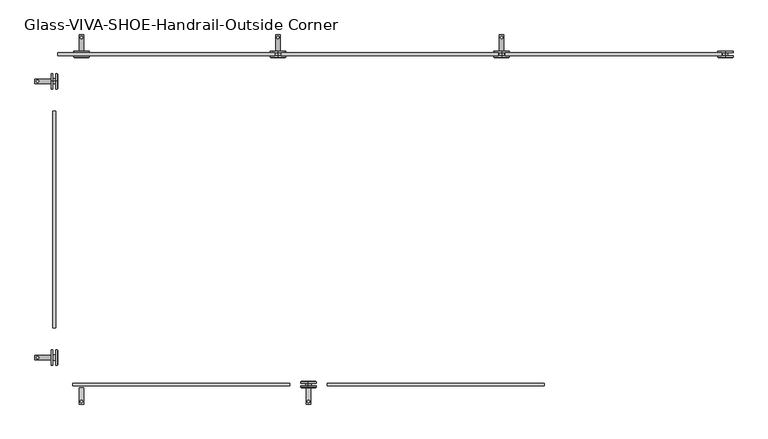
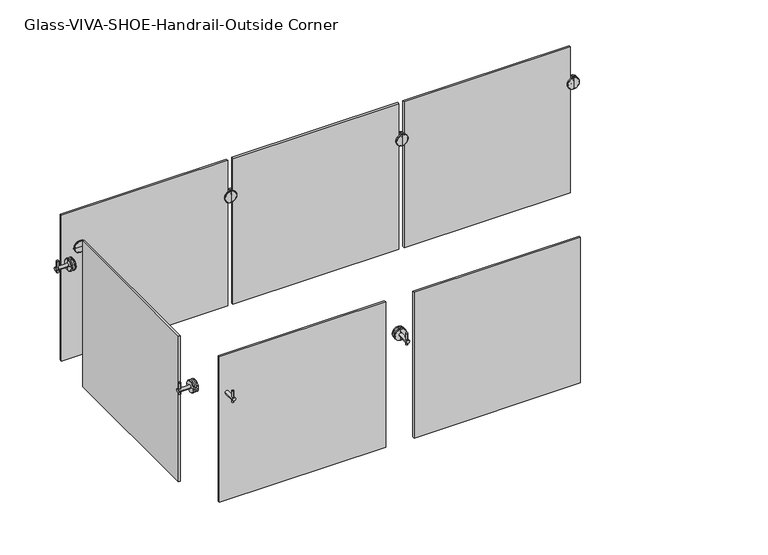
"""IFC4 building model written with IfcOpenShell, lengths in millimetres: railing geometry, Glass-VIVA-SHOE-Handrail-Outside Corner."""

from ifc_helpers import new_model, si_unit, point, frame, frame_2d, origin, place, context, project, spatial, polyline, circle_curve, trimmed, segment, composite_curve, outline, extrude, source, transform, mapped, element, save
from ifc_brep_helpers import plane_surface, cylinder_surface, revolved_surface, advanced_brep


def glass_viva_shoe_handrail_outside_corner_30a0c3da(model_context):
    return source(origin(), model_context, "Body", "SolidModel", [
        advanced_brep(
        [(-12006.0014824, 10198.3499243, 3802.0), (-12006.0014824, 10198.3499243, 3838.115625), (-12006.0014824, 10198.3499243, 3765.884375), (-12006.0014824, 10230.2983618, 3765.884375), (-12006.0014824, 10230.2983618, 3838.115625), (-12006.0014824, 10230.2983618, 3802.0), (-12006.0014824, 10228.3139868, 3763.9), (-12006.0014824, 10228.3139868, 3840.1), (-12006.0014824, 10220.674143, 3763.9), (-12006.0014824, 10220.674143, 3840.1), (-12006.0014824, 10220.674143, 3789.3), (-12006.0014824, 10220.674143, 3814.7), (-12006.0014824, 10207.974143, 3789.3), (-12006.0014824, 10207.974143, 3814.7), (-12006.0014824, 10207.974143, 3763.9), (-12006.0014824, 10207.974143, 3840.1), (-12006.0014824, 10200.3342993, 3763.9), (-12006.0014824, 10200.3342993, 3840.1)],
        [
            (0, 1),
            (1, 2, circle_curve(frame((-12006.0014824, 10198.3499243, 3802.0), z_axis=(0.0, -1.0, 0.0), x_axis=(0.0, 0.0, 1.0)), 36.115625)),
            (2, 0),
            (2, 1, circle_curve(frame((-12006.0014824, 10198.3499243, 3802.0), z_axis=(0.0, -1.0, 0.0), x_axis=(0.0, 0.0, 1.0)), 36.115625)),
            (3, 4, circle_curve(frame((-12006.0014824, 10230.2983618, 3802.0), z_axis=(0.0, 1.0, 0.0), x_axis=(0.0, 0.0, 1.0)), 36.115625)),
            (4, 5),
            (5, 3),
            (4, 3, circle_curve(frame((-12006.0014824, 10230.2983618, 3802.0), z_axis=(0.0, 1.0, 0.0), x_axis=(0.0, 0.0, 1.0)), 36.115625)),
            (6, 7, circle_curve(frame((-12006.0014824, 10228.3139868, 3802.0), z_axis=(0.0, 1.0, 0.0), x_axis=(0.0, 0.0, 1.0)), 38.1)),
            (7, 4),
            (3, 6),
            (7, 6, circle_curve(frame((-12006.0014824, 10228.3139868, 3802.0), z_axis=(0.0, 1.0, 0.0), x_axis=(0.0, 0.0, 1.0)), 38.1)),
            (8, 9, circle_curve(frame((-12006.0014824, 10220.674143, 3802.0), z_axis=(0.0, 1.0, 0.0), x_axis=(0.0, 0.0, 1.0)), 38.1)),
            (9, 7),
            (6, 8),
            (9, 8, circle_curve(frame((-12006.0014824, 10220.674143, 3802.0), z_axis=(0.0, 1.0, 0.0), x_axis=(0.0, 0.0, 1.0)), 38.1)),
            (10, 11, circle_curve(frame((-12006.0014824, 10220.674143, 3802.0), z_axis=(0.0, 1.0, 0.0), x_axis=(0.0, 0.0, 1.0)), 12.7)),
            (11, 9),
            (8, 10),
            (11, 10, circle_curve(frame((-12006.0014824, 10220.674143, 3802.0), z_axis=(0.0, 1.0, 0.0), x_axis=(0.0, 0.0, 1.0)), 12.7)),
            (12, 13, circle_curve(frame((-12006.0014824, 10207.974143, 3802.0), z_axis=(0.0, 1.0, 0.0), x_axis=(0.0, 0.0, 1.0)), 12.7)),
            (13, 11),
            (10, 12),
            (13, 12, circle_curve(frame((-12006.0014824, 10207.974143, 3802.0), z_axis=(0.0, 1.0, 0.0), x_axis=(0.0, 0.0, 1.0)), 12.7)),
            (14, 15, circle_curve(frame((-12006.0014824, 10207.974143, 3802.0), z_axis=(0.0, 1.0, 0.0), x_axis=(0.0, 0.0, 1.0)), 38.1)),
            (15, 13),
            (12, 14),
            (15, 14, circle_curve(frame((-12006.0014824, 10207.974143, 3802.0), z_axis=(0.0, 1.0, 0.0), x_axis=(0.0, 0.0, 1.0)), 38.1)),
            (16, 17, circle_curve(frame((-12006.0014824, 10200.3342993, 3802.0), z_axis=(0.0, 1.0, 0.0), x_axis=(0.0, 0.0, 1.0)), 38.1)),
            (17, 15),
            (14, 16),
            (17, 16, circle_curve(frame((-12006.0014824, 10200.3342993, 3802.0), z_axis=(0.0, 1.0, 0.0), x_axis=(0.0, 0.0, 1.0)), 38.1)),
            (1, 17),
            (16, 2),
        ],
        [
            plane_surface(frame((-12006.0014824, 10198.3499243, 3802.0), z_axis=(0.0, -1.0, 0.0), x_axis=(0.0, 0.0, 1.0))),
            plane_surface(frame((-12006.0014824, 10230.2983618, 3802.0), z_axis=(0.0, 1.0, 0.0), x_axis=(0.0, 0.0, 1.0))),
            revolved_surface(polyline([(-12006.0014824, 10230.2983618, 3838.115625), (-12006.0014824, 10228.3139868, 3840.1)]), (-12006.0014824, 10162.2342993, 3802.0), (0.0, -1.0, 0.0)),
            cylinder_surface(frame((-12006.0014824, 10162.2342993, 3802.0), z_axis=(0.0, -1.0, 0.0), x_axis=(0.0, 0.0, 1.0)), 38.1),
            plane_surface(frame((-12006.0014824, 10220.674143, 3802.0), z_axis=(0.0, -1.0, 0.0), x_axis=(0.0, 0.0, 1.0))),
            cylinder_surface(frame((-12006.0014824, 10162.2342993, 3802.0), z_axis=(0.0, -1.0, 0.0), x_axis=(0.0, 0.0, 1.0)), 12.7),
            plane_surface(frame((-12006.0014824, 10207.974143, 3802.0), z_axis=(0.0, 1.0, 0.0), x_axis=(0.0, 0.0, 1.0))),
            revolved_surface(polyline([(-12006.0014824, 10200.3342993, 3840.1), (-12006.0014824, 10198.3499243, 3838.115625)]), (-12006.0014824, 10162.2342993, 3802.0), (0.0, -1.0, 0.0)),
        ],
        [
            (0, [[1, 2, 3]]),
            (0, [[-3, 4, -1]]),
            (1, [[5, 6, 7]]),
            (1, [[8, -7, -6]]),
            (2, [[9, 10, -5, 11]]),
            (2, [[12, -11, -8, -10]]),
            (3, [[13, 14, -9, 15]]),
            (3, [[16, -15, -12, -14]]),
            (4, [[17, 18, -13, 19]]),
            (4, [[20, -19, -16, -18]]),
            (5, [[21, 22, -17, 23]]),
            (5, [[24, -23, -20, -22]]),
            (6, [[25, 26, -21, 27]]),
            (6, [[28, -27, -24, -26]]),
            (3, [[29, 30, -25, 31]]),
            (3, [[32, -31, -28, -30]]),
            (7, [[-2, 33, -29, 34]]),
            (7, [[-4, -34, -32, -33]]),
        ],
    ),
        extrude(outline(polyline([(-13089.4014824, 10220.674143), (-12022.6014824, 10220.674143), (-12022.6014824, 10207.974143), (-13089.4014824, 10207.974143), (-13089.4014824, 10220.674143)])), frame((0.0, 0.0, 3062.225), z_axis=(0.0, 0.0, 1.0), x_axis=(1.0, 0.0, 0.0)), (0.0, 0.0, 1.0), 989.0125),
        extrude(outline(composite_curve([segment(trimmed(circle_curve(frame_2d((-13106.0014824, 10296.874143)), 5.953125), [point((-13106.0014824, 10290.921018))], [point((-13106.0014824, 10302.827268))], False, "CARTESIAN"), True, "CONTINUOUS"), segment(trimmed(circle_curve(frame_2d((-13106.0014824, 10296.874143)), 5.953125), [point((-13106.0014824, 10302.827268))], [point((-13106.0014824, 10290.921018))], False, "CARTESIAN"), True, "CONTINUOUS")], self_intersect=False)), frame((0.0, 0.0, 3776.6), z_axis=(0.0, 0.0, 1.0), x_axis=(1.0, 0.0, 0.0)), (0.0, 0.0, 1.0), 76.2),
        extrude(outline(composite_curve([segment(trimmed(circle_curve(frame_2d((3802.0, -13106.0014824)), 11.0132813), [point((3802.0, -13094.9882011))], [point((3802.0, -13117.0147636))], False, "CARTESIAN"), True, "CONTINUOUS"), segment(trimmed(circle_curve(frame_2d((3802.0, -13106.0014824)), 11.0132813), [point((3802.0, -13117.0147636))], [point((3802.0, -13094.9882011))], False, "CARTESIAN"), True, "CONTINUOUS")], self_intersect=False)), frame((0.0, 10230.2983618, 0.0), z_axis=(0.0, 1.0, 0.0), x_axis=(0.0, 0.0, 1.0)), (0.0, 0.0, 1.0), 79.2757812),
        advanced_brep(
        [(-13106.0014824, 10198.3499243, 3802.0), (-13106.0014824, 10198.3499243, 3838.115625), (-13106.0014824, 10198.3499243, 3765.884375), (-13106.0014824, 10230.2983618, 3765.884375), (-13106.0014824, 10230.2983618, 3838.115625), (-13106.0014824, 10230.2983618, 3802.0), (-13106.0014824, 10228.3139868, 3763.9), (-13106.0014824, 10228.3139868, 3840.1), (-13106.0014824, 10220.674143, 3763.9), (-13106.0014824, 10220.674143, 3840.1), (-13106.0014824, 10220.674143, 3789.3), (-13106.0014824, 10220.674143, 3814.7), (-13106.0014824, 10207.974143, 3789.3), (-13106.0014824, 10207.974143, 3814.7), (-13106.0014824, 10207.974143, 3763.9), (-13106.0014824, 10207.974143, 3840.1), (-13106.0014824, 10200.3342993, 3763.9), (-13106.0014824, 10200.3342993, 3840.1)],
        [
            (0, 1),
            (1, 2, circle_curve(frame((-13106.0014824, 10198.3499243, 3802.0), z_axis=(0.0, -1.0, 0.0), x_axis=(0.0, 0.0, 1.0)), 36.115625)),
            (2, 0),
            (2, 1, circle_curve(frame((-13106.0014824, 10198.3499243, 3802.0), z_axis=(0.0, -1.0, 0.0), x_axis=(0.0, 0.0, 1.0)), 36.115625)),
            (3, 4, circle_curve(frame((-13106.0014824, 10230.2983618, 3802.0), z_axis=(0.0, 1.0, 0.0), x_axis=(0.0, 0.0, 1.0)), 36.115625)),
            (4, 5),
            (5, 3),
            (4, 3, circle_curve(frame((-13106.0014824, 10230.2983618, 3802.0), z_axis=(0.0, 1.0, 0.0), x_axis=(0.0, 0.0, 1.0)), 36.115625)),
            (6, 7, circle_curve(frame((-13106.0014824, 10228.3139868, 3802.0), z_axis=(0.0, 1.0, 0.0), x_axis=(0.0, 0.0, 1.0)), 38.1)),
            (7, 4),
            (3, 6),
            (7, 6, circle_curve(frame((-13106.0014824, 10228.3139868, 3802.0), z_axis=(0.0, 1.0, 0.0), x_axis=(0.0, 0.0, 1.0)), 38.1)),
            (8, 9, circle_curve(frame((-13106.0014824, 10220.674143, 3802.0), z_axis=(0.0, 1.0, 0.0), x_axis=(0.0, 0.0, 1.0)), 38.1)),
            (9, 7),
            (6, 8),
            (9, 8, circle_curve(frame((-13106.0014824, 10220.674143, 3802.0), z_axis=(0.0, 1.0, 0.0), x_axis=(0.0, 0.0, 1.0)), 38.1)),
            (10, 11, circle_curve(frame((-13106.0014824, 10220.674143, 3802.0), z_axis=(0.0, 1.0, 0.0), x_axis=(0.0, 0.0, 1.0)), 12.7)),
            (11, 9),
            (8, 10),
            (11, 10, circle_curve(frame((-13106.0014824, 10220.674143, 3802.0), z_axis=(0.0, 1.0, 0.0), x_axis=(0.0, 0.0, 1.0)), 12.7)),
            (12, 13, circle_curve(frame((-13106.0014824, 10207.974143, 3802.0), z_axis=(0.0, 1.0, 0.0), x_axis=(0.0, 0.0, 1.0)), 12.7)),
            (13, 11),
            (10, 12),
            (13, 12, circle_curve(frame((-13106.0014824, 10207.974143, 3802.0), z_axis=(0.0, 1.0, 0.0), x_axis=(0.0, 0.0, 1.0)), 12.7)),
            (14, 15, circle_curve(frame((-13106.0014824, 10207.974143, 3802.0), z_axis=(0.0, 1.0, 0.0), x_axis=(0.0, 0.0, 1.0)), 38.1)),
            (15, 13),
            (12, 14),
            (15, 14, circle_curve(frame((-13106.0014824, 10207.974143, 3802.0), z_axis=(0.0, 1.0, 0.0), x_axis=(0.0, 0.0, 1.0)), 38.1)),
            (16, 17, circle_curve(frame((-13106.0014824, 10200.3342993, 3802.0), z_axis=(0.0, 1.0, 0.0), x_axis=(0.0, 0.0, 1.0)), 38.1)),
            (17, 15),
            (14, 16),
            (17, 16, circle_curve(frame((-13106.0014824, 10200.3342993, 3802.0), z_axis=(0.0, 1.0, 0.0), x_axis=(0.0, 0.0, 1.0)), 38.1)),
            (1, 17),
            (16, 2),
        ],
        [
            plane_surface(frame((-13106.0014824, 10198.3499243, 3802.0), z_axis=(0.0, -1.0, 0.0), x_axis=(0.0, 0.0, 1.0))),
            plane_surface(frame((-13106.0014824, 10230.2983618, 3802.0), z_axis=(0.0, 1.0, 0.0), x_axis=(0.0, 0.0, 1.0))),
            revolved_surface(polyline([(-13106.0014824, 10230.2983618, 3838.115625), (-13106.0014824, 10228.3139868, 3840.1)]), (-13106.0014824, 10162.2342993, 3802.0), (0.0, -1.0, 0.0)),
            cylinder_surface(frame((-13106.0014824, 10162.2342993, 3802.0), z_axis=(0.0, -1.0, 0.0), x_axis=(0.0, 0.0, 1.0)), 38.1),
            plane_surface(frame((-13106.0014824, 10220.674143, 3802.0), z_axis=(0.0, -1.0, 0.0), x_axis=(0.0, 0.0, 1.0))),
            cylinder_surface(frame((-13106.0014824, 10162.2342993, 3802.0), z_axis=(0.0, -1.0, 0.0), x_axis=(0.0, 0.0, 1.0)), 12.7),
            plane_surface(frame((-13106.0014824, 10207.974143, 3802.0), z_axis=(0.0, 1.0, 0.0), x_axis=(0.0, 0.0, 1.0))),
            revolved_surface(polyline([(-13106.0014824, 10200.3342993, 3840.1), (-13106.0014824, 10198.3499243, 3838.115625)]), (-13106.0014824, 10162.2342993, 3802.0), (0.0, -1.0, 0.0)),
        ],
        [
            (0, [[1, 2, 3]]),
            (0, [[-3, 4, -1]]),
            (1, [[5, 6, 7]]),
            (1, [[8, -7, -6]]),
            (2, [[9, 10, -5, 11]]),
            (2, [[12, -11, -8, -10]]),
            (3, [[13, 14, -9, 15]]),
            (3, [[16, -15, -12, -14]]),
            (4, [[17, 18, -13, 19]]),
            (4, [[20, -19, -16, -18]]),
            (5, [[21, 22, -17, 23]]),
            (5, [[24, -23, -20, -22]]),
            (6, [[25, 26, -21, 27]]),
            (6, [[28, -27, -24, -26]]),
            (3, [[29, 30, -25, 31]]),
            (3, [[32, -31, -28, -30]]),
            (7, [[-2, 33, -29, 34]]),
            (7, [[-4, -34, -32, -33]]),
        ],
    ),
        extrude(outline(polyline([(-14189.4014824, 10220.674143), (-13122.6014824, 10220.674143), (-13122.6014824, 10207.974143), (-14189.4014824, 10207.974143), (-14189.4014824, 10220.674143)])), frame((0.0, 0.0, 3062.225), z_axis=(0.0, 0.0, 1.0), x_axis=(1.0, 0.0, 0.0)), (0.0, 0.0, 1.0), 989.0125),
        extrude(outline(composite_curve([segment(trimmed(circle_curve(frame_2d((-14206.0014824, 10296.874143)), 5.953125), [point((-14206.0014824, 10290.921018))], [point((-14206.0014824, 10302.827268))], False, "CARTESIAN"), True, "CONTINUOUS"), segment(trimmed(circle_curve(frame_2d((-14206.0014824, 10296.874143)), 5.953125), [point((-14206.0014824, 10302.827268))], [point((-14206.0014824, 10290.921018))], False, "CARTESIAN"), True, "CONTINUOUS")], self_intersect=False)), frame((0.0, 0.0, 3776.6), z_axis=(0.0, 0.0, 1.0), x_axis=(1.0, 0.0, 0.0)), (0.0, 0.0, 1.0), 76.2),
        extrude(outline(composite_curve([segment(trimmed(circle_curve(frame_2d((3802.0, -14206.0014824)), 11.0132813), [point((3802.0, -14194.9882011))], [point((3802.0, -14217.0147636))], False, "CARTESIAN"), True, "CONTINUOUS"), segment(trimmed(circle_curve(frame_2d((3802.0, -14206.0014824)), 11.0132813), [point((3802.0, -14217.0147636))], [point((3802.0, -14194.9882011))], False, "CARTESIAN"), True, "CONTINUOUS")], self_intersect=False)), frame((0.0, 10230.2983618, 0.0), z_axis=(0.0, 1.0, 0.0), x_axis=(0.0, 0.0, 1.0)), (0.0, 0.0, 1.0), 79.2757812),
        advanced_brep(
        [(-14206.0014824, 10198.3499243, 3802.0), (-14206.0014824, 10198.3499243, 3838.115625), (-14206.0014824, 10198.3499243, 3765.884375), (-14206.0014824, 10230.2983618, 3765.884375), (-14206.0014824, 10230.2983618, 3838.115625), (-14206.0014824, 10230.2983618, 3802.0), (-14206.0014824, 10228.3139868, 3763.9), (-14206.0014824, 10228.3139868, 3840.1), (-14206.0014824, 10220.674143, 3763.9), (-14206.0014824, 10220.674143, 3840.1), (-14206.0014824, 10220.674143, 3789.3), (-14206.0014824, 10220.674143, 3814.7), (-14206.0014824, 10207.974143, 3789.3), (-14206.0014824, 10207.974143, 3814.7), (-14206.0014824, 10207.974143, 3763.9), (-14206.0014824, 10207.974143, 3840.1), (-14206.0014824, 10200.3342993, 3763.9), (-14206.0014824, 10200.3342993, 3840.1)],
        [
            (0, 1),
            (1, 2, circle_curve(frame((-14206.0014824, 10198.3499243, 3802.0), z_axis=(0.0, -1.0, 0.0), x_axis=(0.0, 0.0, 1.0)), 36.115625)),
            (2, 0),
            (2, 1, circle_curve(frame((-14206.0014824, 10198.3499243, 3802.0), z_axis=(0.0, -1.0, 0.0), x_axis=(0.0, 0.0, 1.0)), 36.115625)),
            (3, 4, circle_curve(frame((-14206.0014824, 10230.2983618, 3802.0), z_axis=(0.0, 1.0, 0.0), x_axis=(0.0, 0.0, 1.0)), 36.115625)),
            (4, 5),
            (5, 3),
            (4, 3, circle_curve(frame((-14206.0014824, 10230.2983618, 3802.0), z_axis=(0.0, 1.0, 0.0), x_axis=(0.0, 0.0, 1.0)), 36.115625)),
            (6, 7, circle_curve(frame((-14206.0014824, 10228.3139868, 3802.0), z_axis=(0.0, 1.0, 0.0), x_axis=(0.0, 0.0, 1.0)), 38.1)),
            (7, 4),
            (3, 6),
            (7, 6, circle_curve(frame((-14206.0014824, 10228.3139868, 3802.0), z_axis=(0.0, 1.0, 0.0), x_axis=(0.0, 0.0, 1.0)), 38.1)),
            (8, 9, circle_curve(frame((-14206.0014824, 10220.674143, 3802.0), z_axis=(0.0, 1.0, 0.0), x_axis=(0.0, 0.0, 1.0)), 38.1)),
            (9, 7),
            (6, 8),
            (9, 8, circle_curve(frame((-14206.0014824, 10220.674143, 3802.0), z_axis=(0.0, 1.0, 0.0), x_axis=(0.0, 0.0, 1.0)), 38.1)),
            (10, 11, circle_curve(frame((-14206.0014824, 10220.674143, 3802.0), z_axis=(0.0, 1.0, 0.0), x_axis=(0.0, 0.0, 1.0)), 12.7)),
            (11, 9),
            (8, 10),
            (11, 10, circle_curve(frame((-14206.0014824, 10220.674143, 3802.0), z_axis=(0.0, 1.0, 0.0), x_axis=(0.0, 0.0, 1.0)), 12.7)),
            (12, 13, circle_curve(frame((-14206.0014824, 10207.974143, 3802.0), z_axis=(0.0, 1.0, 0.0), x_axis=(0.0, 0.0, 1.0)), 12.7)),
            (13, 11),
            (10, 12),
            (13, 12, circle_curve(frame((-14206.0014824, 10207.974143, 3802.0), z_axis=(0.0, 1.0, 0.0), x_axis=(0.0, 0.0, 1.0)), 12.7)),
            (14, 15, circle_curve(frame((-14206.0014824, 10207.974143, 3802.0), z_axis=(0.0, 1.0, 0.0), x_axis=(0.0, 0.0, 1.0)), 38.1)),
            (15, 13),
            (12, 14),
            (15, 14, circle_curve(frame((-14206.0014824, 10207.974143, 3802.0), z_axis=(0.0, 1.0, 0.0), x_axis=(0.0, 0.0, 1.0)), 38.1)),
            (16, 17, circle_curve(frame((-14206.0014824, 10200.3342993, 3802.0), z_axis=(0.0, 1.0, 0.0), x_axis=(0.0, 0.0, 1.0)), 38.1)),
            (17, 15),
            (14, 16),
            (17, 16, circle_curve(frame((-14206.0014824, 10200.3342993, 3802.0), z_axis=(0.0, 1.0, 0.0), x_axis=(0.0, 0.0, 1.0)), 38.1)),
            (1, 17),
            (16, 2),
        ],
        [
            plane_surface(frame((-14206.0014824, 10198.3499243, 3802.0), z_axis=(0.0, -1.0, 0.0), x_axis=(0.0, 0.0, 1.0))),
            plane_surface(frame((-14206.0014824, 10230.2983618, 3802.0), z_axis=(0.0, 1.0, 0.0), x_axis=(0.0, 0.0, 1.0))),
            revolved_surface(polyline([(-14206.0014824, 10230.2983618, 3838.115625), (-14206.0014824, 10228.3139868, 3840.1)]), (-14206.0014824, 10162.2342993, 3802.0), (0.0, -1.0, 0.0)),
            cylinder_surface(frame((-14206.0014824, 10162.2342993, 3802.0), z_axis=(0.0, -1.0, 0.0), x_axis=(0.0, 0.0, 1.0)), 38.1),
            plane_surface(frame((-14206.0014824, 10220.674143, 3802.0), z_axis=(0.0, -1.0, 0.0), x_axis=(0.0, 0.0, 1.0))),
            cylinder_surface(frame((-14206.0014824, 10162.2342993, 3802.0), z_axis=(0.0, -1.0, 0.0), x_axis=(0.0, 0.0, 1.0)), 12.7),
            plane_surface(frame((-14206.0014824, 10207.974143, 3802.0), z_axis=(0.0, 1.0, 0.0), x_axis=(0.0, 0.0, 1.0))),
            revolved_surface(polyline([(-14206.0014824, 10200.3342993, 3840.1), (-14206.0014824, 10198.3499243, 3838.115625)]), (-14206.0014824, 10162.2342993, 3802.0), (0.0, -1.0, 0.0)),
        ],
        [
            (0, [[1, 2, 3]]),
            (0, [[-3, 4, -1]]),
            (1, [[5, 6, 7]]),
            (1, [[8, -7, -6]]),
            (2, [[9, 10, -5, 11]]),
            (2, [[12, -11, -8, -10]]),
            (3, [[13, 14, -9, 15]]),
            (3, [[16, -15, -12, -14]]),
            (4, [[17, 18, -13, 19]]),
            (4, [[20, -19, -16, -18]]),
            (5, [[21, 22, -17, 23]]),
            (5, [[24, -23, -20, -22]]),
            (6, [[25, 26, -21, 27]]),
            (6, [[28, -27, -24, -26]]),
            (3, [[29, 30, -25, 31]]),
            (3, [[32, -31, -28, -30]]),
            (7, [[-2, 33, -29, 34]]),
            (7, [[-4, -34, -32, -33]]),
        ],
    ),
        extrude(outline(polyline([(-15289.4014824, 10220.674143), (-14222.6014824, 10220.674143), (-14222.6014824, 10207.974143), (-15289.4014824, 10207.974143), (-15289.4014824, 10220.674143)])), frame((0.0, 0.0, 3062.225), z_axis=(0.0, 0.0, 1.0), x_axis=(1.0, 0.0, 0.0)), (0.0, 0.0, 1.0), 989.0125),
        extrude(outline(polyline([(-15312.3514824, 8867.424143), (-15312.3514824, 9934.224143), (-15299.6514824, 9934.224143), (-15299.6514824, 8867.424143), (-15312.3514824, 8867.424143)])), frame((0.0, 0.0, 3062.225), z_axis=(0.0, 0.0, 1.0), x_axis=(1.0, 0.0, 0.0)), (0.0, 0.0, 1.0), 989.0125),
        extrude(outline(polyline([(-14147.6014824, 8580.974143), (-15214.4014824, 8580.974143), (-15214.4014824, 8593.674143), (-14147.6014824, 8593.674143), (-14147.6014824, 8580.974143)])), frame((0.0, 0.0, 3062.225), z_axis=(0.0, 0.0, 1.0), x_axis=(1.0, 0.0, 0.0)), (0.0, 0.0, 1.0), 989.0125),
        extrude(outline(composite_curve([segment(trimmed(circle_curve(frame_2d((-14056.0014824, 8504.774143)), 5.953125), [point((-14056.0014824, 8510.727268))], [point((-14056.0014824, 8498.821018))], False, "CARTESIAN"), True, "CONTINUOUS"), segment(trimmed(circle_curve(frame_2d((-14056.0014824, 8504.774143)), 5.953125), [point((-14056.0014824, 8498.821018))], [point((-14056.0014824, 8510.727268))], False, "CARTESIAN"), True, "CONTINUOUS")], self_intersect=False)), frame((0.0, 0.0, 3776.6), z_axis=(0.0, 0.0, 1.0), x_axis=(1.0, 0.0, 0.0)), (0.0, 0.0, 1.0), 76.2),
        extrude(outline(composite_curve([segment(trimmed(circle_curve(frame_2d((3802.0, -14056.0014824)), 11.0132813), [point((3802.0, -14067.0147636))], [point((3802.0, -14044.9882011))], False, "CARTESIAN"), True, "CONTINUOUS"), segment(trimmed(circle_curve(frame_2d((3802.0, -14056.0014824)), 11.0132813), [point((3802.0, -14044.9882011))], [point((3802.0, -14067.0147636))], False, "CARTESIAN"), True, "CONTINUOUS")], self_intersect=False)), frame((0.0, 8492.074143, 0.0), z_axis=(0.0, 1.0, 0.0), x_axis=(0.0, 0.0, 1.0)), (0.0, 0.0, 1.0), 79.2757812),
        advanced_brep(
        [(-14056.0014824, 8603.2983618, 3802.0), (-14056.0014824, 8603.2983618, 3838.115625), (-14056.0014824, 8603.2983618, 3765.884375), (-14056.0014824, 8571.3499243, 3765.884375), (-14056.0014824, 8571.3499243, 3838.115625), (-14056.0014824, 8571.3499243, 3802.0), (-14056.0014824, 8573.3342993, 3763.9), (-14056.0014824, 8573.3342993, 3840.1), (-14056.0014824, 8580.974143, 3763.9), (-14056.0014824, 8580.974143, 3840.1), (-14056.0014824, 8580.974143, 3789.3), (-14056.0014824, 8580.974143, 3814.7), (-14056.0014824, 8593.674143, 3789.3), (-14056.0014824, 8593.674143, 3814.7), (-14056.0014824, 8593.674143, 3763.9), (-14056.0014824, 8593.674143, 3840.1), (-14056.0014824, 8601.3139868, 3763.9), (-14056.0014824, 8601.3139868, 3840.1)],
        [
            (0, 1),
            (1, 2, circle_curve(frame((-14056.0014824, 8603.2983618, 3802.0), z_axis=(0.0, 1.0, 0.0), x_axis=(0.0, 0.0, 1.0)), 36.115625)),
            (2, 0),
            (2, 1, circle_curve(frame((-14056.0014824, 8603.2983618, 3802.0), z_axis=(0.0, 1.0, 0.0), x_axis=(0.0, 0.0, 1.0)), 36.115625)),
            (3, 4, circle_curve(frame((-14056.0014824, 8571.3499243, 3802.0), z_axis=(0.0, -1.0, 0.0), x_axis=(0.0, 0.0, 1.0)), 36.115625)),
            (4, 5),
            (5, 3),
            (4, 3, circle_curve(frame((-14056.0014824, 8571.3499243, 3802.0), z_axis=(0.0, -1.0, 0.0), x_axis=(0.0, 0.0, 1.0)), 36.115625)),
            (6, 7, circle_curve(frame((-14056.0014824, 8573.3342993, 3802.0), z_axis=(0.0, -1.0, 0.0), x_axis=(0.0, 0.0, 1.0)), 38.1)),
            (7, 4),
            (3, 6),
            (7, 6, circle_curve(frame((-14056.0014824, 8573.3342993, 3802.0), z_axis=(0.0, -1.0, 0.0), x_axis=(0.0, 0.0, 1.0)), 38.1)),
            (8, 9, circle_curve(frame((-14056.0014824, 8580.974143, 3802.0), z_axis=(0.0, -1.0, 0.0), x_axis=(0.0, 0.0, 1.0)), 38.1)),
            (9, 7),
            (6, 8),
            (9, 8, circle_curve(frame((-14056.0014824, 8580.974143, 3802.0), z_axis=(0.0, -1.0, 0.0), x_axis=(0.0, 0.0, 1.0)), 38.1)),
            (10, 11, circle_curve(frame((-14056.0014824, 8580.974143, 3802.0), z_axis=(0.0, -1.0, 0.0), x_axis=(0.0, 0.0, 1.0)), 12.7)),
            (11, 9),
            (8, 10),
            (11, 10, circle_curve(frame((-14056.0014824, 8580.974143, 3802.0), z_axis=(0.0, -1.0, 0.0), x_axis=(0.0, 0.0, 1.0)), 12.7)),
            (12, 13, circle_curve(frame((-14056.0014824, 8593.674143, 3802.0), z_axis=(0.0, -1.0, 0.0), x_axis=(0.0, 0.0, 1.0)), 12.7)),
            (13, 11),
            (10, 12),
            (13, 12, circle_curve(frame((-14056.0014824, 8593.674143, 3802.0), z_axis=(0.0, -1.0, 0.0), x_axis=(0.0, 0.0, 1.0)), 12.7)),
            (14, 15, circle_curve(frame((-14056.0014824, 8593.674143, 3802.0), z_axis=(0.0, -1.0, 0.0), x_axis=(0.0, 0.0, 1.0)), 38.1)),
            (15, 13),
            (12, 14),
            (15, 14, circle_curve(frame((-14056.0014824, 8593.674143, 3802.0), z_axis=(0.0, -1.0, 0.0), x_axis=(0.0, 0.0, 1.0)), 38.1)),
            (16, 17, circle_curve(frame((-14056.0014824, 8601.3139868, 3802.0), z_axis=(0.0, -1.0, 0.0), x_axis=(0.0, 0.0, 1.0)), 38.1)),
            (17, 15),
            (14, 16),
            (17, 16, circle_curve(frame((-14056.0014824, 8601.3139868, 3802.0), z_axis=(0.0, -1.0, 0.0), x_axis=(0.0, 0.0, 1.0)), 38.1)),
            (1, 17),
            (16, 2),
        ],
        [
            plane_surface(frame((-14056.0014824, 8603.2983618, 3802.0), z_axis=(0.0, 1.0, 0.0), x_axis=(0.0, 0.0, 1.0))),
            plane_surface(frame((-14056.0014824, 8571.3499243, 3802.0), z_axis=(0.0, -1.0, 0.0), x_axis=(0.0, 0.0, 1.0))),
            revolved_surface(polyline([(-14056.0014824, 8571.3499243, 3838.115625), (-14056.0014824, 8573.3342993, 3840.1)]), (-14056.0014824, 8639.4139868, 3802.0), (0.0, 1.0, 0.0)),
            cylinder_surface(frame((-14056.0014824, 8639.4139868, 3802.0), z_axis=(0.0, 1.0, 0.0), x_axis=(0.0, 0.0, 1.0)), 38.1),
            plane_surface(frame((-14056.0014824, 8580.974143, 3802.0), z_axis=(0.0, 1.0, 0.0), x_axis=(0.0, 0.0, 1.0))),
            cylinder_surface(frame((-14056.0014824, 8639.4139868, 3802.0), z_axis=(0.0, 1.0, 0.0), x_axis=(0.0, 0.0, 1.0)), 12.7),
            plane_surface(frame((-14056.0014824, 8593.674143, 3802.0), z_axis=(0.0, -1.0, 0.0), x_axis=(0.0, 0.0, 1.0))),
            revolved_surface(polyline([(-14056.0014824, 8601.3139868, 3840.1), (-14056.0014824, 8603.2983618, 3838.115625)]), (-14056.0014824, 8639.4139868, 3802.0), (0.0, 1.0, 0.0)),
        ],
        [
            (0, [[1, 2, 3]]),
            (0, [[-3, 4, -1]]),
            (1, [[5, 6, 7]]),
            (1, [[8, -7, -6]]),
            (2, [[9, 10, -5, 11]]),
            (2, [[12, -11, -8, -10]]),
            (3, [[13, 14, -9, 15]]),
            (3, [[16, -15, -12, -14]]),
            (4, [[17, 18, -13, 19]]),
            (4, [[20, -19, -16, -18]]),
            (5, [[21, 22, -17, 23]]),
            (5, [[24, -23, -20, -22]]),
            (6, [[25, 26, -21, 27]]),
            (6, [[28, -27, -24, -26]]),
            (3, [[29, 30, -25, 31]]),
            (3, [[32, -31, -28, -30]]),
            (7, [[-2, 33, -29, 34]]),
            (7, [[-4, -34, -32, -33]]),
        ],
    ),
        extrude(outline(polyline([(-12897.6014824, 8580.974143), (-13964.4014824, 8580.974143), (-13964.4014824, 8593.674143), (-12897.6014824, 8593.674143), (-12897.6014824, 8580.974143)])), frame((0.0, 0.0, 3062.225), z_axis=(0.0, 0.0, 1.0), x_axis=(1.0, 0.0, 0.0)), (0.0, 0.0, 1.0), 989.0125),
        extrude(outline(composite_curve([segment(trimmed(circle_curve(frame_2d((-15172.6514824, 10296.874143)), 5.953125), [point((-15166.6983574, 10296.874143))], [point((-15178.6046074, 10296.874143))], False, "CARTESIAN"), True, "CONTINUOUS"), segment(trimmed(circle_curve(frame_2d((-15172.6514824, 10296.874143)), 5.953125), [point((-15178.6046074, 10296.874143))], [point((-15166.6983574, 10296.874143))], False, "CARTESIAN"), True, "CONTINUOUS")], self_intersect=False)), frame((0.0, 0.0, 3776.6), z_axis=(0.0, 0.0, 1.0), x_axis=(1.0, 0.0, 0.0)), (0.0, 0.0, 1.0), 76.2),
        extrude(outline(composite_curve([segment(trimmed(circle_curve(frame_2d((3802.0, -15172.6514824)), 11.0548507), [point((3802.0, -15161.5966316))], [point((3802.0, -15183.7063331))], False, "CARTESIAN"), True, "CONTINUOUS"), segment(trimmed(circle_curve(frame_2d((3802.0, -15172.6514824)), 11.0548507), [point((3802.0, -15183.7063331))], [point((3802.0, -15161.5966316))], False, "CARTESIAN"), True, "CONTINUOUS")], self_intersect=False)), frame((0.0, 10230.199143, 0.0), z_axis=(0.0, 1.0, 0.0), x_axis=(0.0, 0.0, 1.0)), (0.0, 0.0, 1.0), 79.375),
        advanced_brep(
        [(-15136.5358574, 10230.199143, 3802.0), (-15208.7671074, 10230.199143, 3802.0), (-15172.6514824, 10230.199143, 3802.0), (-15172.6514824, 10198.449143, 3802.0), (-15208.7671074, 10198.449143, 3802.0), (-15136.5358574, 10198.449143, 3802.0), (-15210.7514824, 10200.433518, 3802.0), (-15134.5514824, 10200.433518, 3802.0), (-15210.7514824, 10207.974143, 3802.0), (-15134.5514824, 10207.974143, 3802.0), (-15185.3514824, 10207.974143, 3802.0), (-15159.9514824, 10207.974143, 3802.0), (-15185.3514824, 10220.674143, 3802.0), (-15159.9514824, 10220.674143, 3802.0), (-15210.7514824, 10220.674143, 3802.0), (-15134.5514824, 10220.674143, 3802.0), (-15210.7514824, 10228.214768, 3802.0), (-15134.5514824, 10228.214768, 3802.0)],
        [
            (0, 1, circle_curve(frame((-15172.6514824, 10230.199143, 3802.0), z_axis=(0.0, 1.0, 0.0), x_axis=(-1.0, 0.0, 0.0)), 36.115625)),
            (1, 2),
            (2, 0),
            (1, 0, circle_curve(frame((-15172.6514824, 10230.199143, 3802.0), z_axis=(0.0, 1.0, 0.0), x_axis=(-1.0, 0.0, 0.0)), 36.115625)),
            (3, 4),
            (4, 5, circle_curve(frame((-15172.6514824, 10198.449143, 3802.0), z_axis=(0.0, -1.0, 0.0), x_axis=(-1.0, 0.0, 0.0)), 36.115625)),
            (5, 3),
            (5, 4, circle_curve(frame((-15172.6514824, 10198.449143, 3802.0), z_axis=(0.0, -1.0, 0.0), x_axis=(-1.0, 0.0, 0.0)), 36.115625)),
            (4, 6),
            (6, 7, circle_curve(frame((-15172.6514824, 10200.433518, 3802.0), z_axis=(0.0, -1.0, 0.0), x_axis=(-1.0, 0.0, 0.0)), 38.1)),
            (7, 5),
            (7, 6, circle_curve(frame((-15172.6514824, 10200.433518, 3802.0), z_axis=(0.0, -1.0, 0.0), x_axis=(-1.0, 0.0, 0.0)), 38.1)),
            (6, 8),
            (8, 9, circle_curve(frame((-15172.6514824, 10207.974143, 3802.0), z_axis=(0.0, -1.0, 0.0), x_axis=(-1.0, 0.0, 0.0)), 38.1)),
            (9, 7),
            (9, 8, circle_curve(frame((-15172.6514824, 10207.974143, 3802.0), z_axis=(0.0, -1.0, 0.0), x_axis=(-1.0, 0.0, 0.0)), 38.1)),
            (8, 10),
            (10, 11, circle_curve(frame((-15172.6514824, 10207.974143, 3802.0), z_axis=(0.0, -1.0, 0.0), x_axis=(-1.0, 0.0, 0.0)), 12.7)),
            (11, 9),
            (11, 10, circle_curve(frame((-15172.6514824, 10207.974143, 3802.0), z_axis=(0.0, -1.0, 0.0), x_axis=(-1.0, 0.0, 0.0)), 12.7)),
            (10, 12),
            (12, 13, circle_curve(frame((-15172.6514824, 10220.674143, 3802.0), z_axis=(0.0, -1.0, 0.0), x_axis=(-1.0, 0.0, 0.0)), 12.7)),
            (13, 11),
            (13, 12, circle_curve(frame((-15172.6514824, 10220.674143, 3802.0), z_axis=(0.0, -1.0, 0.0), x_axis=(-1.0, 0.0, 0.0)), 12.7)),
            (12, 14),
            (14, 15, circle_curve(frame((-15172.6514824, 10220.674143, 3802.0), z_axis=(0.0, -1.0, 0.0), x_axis=(-1.0, 0.0, 0.0)), 38.1)),
            (15, 13),
            (15, 14, circle_curve(frame((-15172.6514824, 10220.674143, 3802.0), z_axis=(0.0, -1.0, 0.0), x_axis=(-1.0, 0.0, 0.0)), 38.1)),
            (14, 16),
            (16, 17, circle_curve(frame((-15172.6514824, 10228.214768, 3802.0), z_axis=(0.0, -1.0, 0.0), x_axis=(-1.0, 0.0, 0.0)), 38.1)),
            (17, 15),
            (17, 16, circle_curve(frame((-15172.6514824, 10228.214768, 3802.0), z_axis=(0.0, -1.0, 0.0), x_axis=(-1.0, 0.0, 0.0)), 38.1)),
            (16, 1),
            (0, 17),
        ],
        [
            plane_surface(frame((-15172.6514824, 10230.199143, 3802.0), z_axis=(0.0, 1.0, 0.0), x_axis=(-1.0, 0.0, 0.0))),
            plane_surface(frame((-15172.6514824, 10198.449143, 3802.0), z_axis=(0.0, -1.0, 0.0), x_axis=(-1.0, 0.0, 0.0))),
            revolved_surface(polyline([(-15210.7514824, 10200.433518, 3802.0), (-15208.7671074, 10198.449143, 3802.0)]), (-15172.6514824, 10173.049143, 3802.0), (0.0, -1.0, 0.0)),
            cylinder_surface(frame((-15172.6514824, 10173.049143, 3802.0), z_axis=(0.0, -1.0, 0.0), x_axis=(-1.0, 0.0, 0.0)), 38.1),
            plane_surface(frame((-15172.6514824, 10207.974143, 3802.0), z_axis=(0.0, 1.0, 0.0), x_axis=(-1.0, 0.0, 0.0))),
            cylinder_surface(frame((-15172.6514824, 10173.049143, 3802.0), z_axis=(0.0, -1.0, 0.0), x_axis=(-1.0, 0.0, 0.0)), 12.7),
            plane_surface(frame((-15172.6514824, 10220.674143, 3802.0), z_axis=(0.0, -1.0, 0.0), x_axis=(-1.0, 0.0, 0.0))),
            revolved_surface(polyline([(-15208.7671074, 10230.199143, 3802.0), (-15210.7514824, 10228.214768, 3802.0)]), (-15172.6514824, 10173.049143, 3802.0), (0.0, -1.0, 0.0)),
        ],
        [
            (0, [[1, 2, 3]]),
            (0, [[4, -3, -2]]),
            (1, [[5, 6, 7]]),
            (1, [[-7, 8, -5]]),
            (2, [[-6, 9, 10, 11]]),
            (2, [[-8, -11, 12, -9]]),
            (3, [[-10, 13, 14, 15]]),
            (3, [[-12, -15, 16, -13]]),
            (4, [[-14, 17, 18, 19]]),
            (4, [[-16, -19, 20, -17]]),
            (5, [[-18, 21, 22, 23]]),
            (5, [[-20, -23, 24, -21]]),
            (6, [[-22, 25, 26, 27]]),
            (6, [[-24, -27, 28, -25]]),
            (3, [[-26, 29, 30, 31]]),
            (3, [[-28, -31, 32, -29]]),
            (7, [[-30, 33, -1, 34]]),
            (7, [[-32, -34, -4, -33]]),
        ],
    ),
        extrude(outline(composite_curve([segment(trimmed(circle_curve(frame_2d((-15388.5514824, 10080.974143)), 5.953125), [point((-15382.5983574, 10080.974143))], [point((-15394.5046074, 10080.974143))], False, "CARTESIAN"), True, "CONTINUOUS"), segment(trimmed(circle_curve(frame_2d((-15388.5514824, 10080.974143)), 5.953125), [point((-15394.5046074, 10080.974143))], [point((-15382.5983574, 10080.974143))], False, "CARTESIAN"), True, "CONTINUOUS")], self_intersect=False)), frame((0.0, 0.0, 3776.6), z_axis=(0.0, 0.0, 1.0), x_axis=(1.0, 0.0, 0.0)), (0.0, 0.0, 1.0), 76.2),
        extrude(outline(composite_curve([segment(trimmed(circle_curve(frame_2d((10080.974143, 3802.0)), 11.0132813), [point((10091.9874243, 3802.0))], [point((10069.9608618, 3802.0))], False, "CARTESIAN"), True, "CONTINUOUS"), segment(trimmed(circle_curve(frame_2d((10080.974143, 3802.0)), 11.0132813), [point((10069.9608618, 3802.0))], [point((10091.9874243, 3802.0))], False, "CARTESIAN"), True, "CONTINUOUS")], self_intersect=False)), frame((-15401.2514824, 0.0, 0.0), z_axis=(1.0, 0.0, 0.0), x_axis=(0.0, 1.0, 0.0)), (0.0, 0.0, 1.0), 79.2757812),
        advanced_brep(
        [(-15290.0272636, 10080.974143, 3802.0), (-15290.0272636, 10080.974143, 3838.115625), (-15290.0272636, 10080.974143, 3765.884375), (-15321.9757011, 10080.974143, 3765.884375), (-15321.9757011, 10080.974143, 3838.115625), (-15321.9757011, 10080.974143, 3802.0), (-15319.9913261, 10080.974143, 3763.9), (-15319.9913261, 10080.974143, 3840.1), (-15312.3514824, 10080.974143, 3763.9), (-15312.3514824, 10080.974143, 3840.1), (-15312.3514824, 10080.974143, 3789.3), (-15312.3514824, 10080.974143, 3814.7), (-15299.6514824, 10080.974143, 3789.3), (-15299.6514824, 10080.974143, 3814.7), (-15299.6514824, 10080.974143, 3763.9), (-15299.6514824, 10080.974143, 3840.1), (-15292.0116386, 10080.974143, 3763.9), (-15292.0116386, 10080.974143, 3840.1)],
        [
            (0, 1),
            (1, 2, circle_curve(frame((-15290.0272636, 10080.974143, 3802.0), z_axis=(1.0, 0.0, 0.0), x_axis=(0.0, 0.0, 1.0)), 36.115625)),
            (2, 0),
            (2, 1, circle_curve(frame((-15290.0272636, 10080.974143, 3802.0), z_axis=(1.0, 0.0, 0.0), x_axis=(0.0, 0.0, 1.0)), 36.115625)),
            (3, 4, circle_curve(frame((-15321.9757011, 10080.974143, 3802.0), z_axis=(-1.0, 0.0, 0.0), x_axis=(0.0, 0.0, 1.0)), 36.115625)),
            (4, 5),
            (5, 3),
            (4, 3, circle_curve(frame((-15321.9757011, 10080.974143, 3802.0), z_axis=(-1.0, 0.0, 0.0), x_axis=(0.0, 0.0, 1.0)), 36.115625)),
            (6, 7, circle_curve(frame((-15319.9913261, 10080.974143, 3802.0), z_axis=(-1.0, 0.0, 0.0), x_axis=(0.0, 0.0, 1.0)), 38.1)),
            (7, 4),
            (3, 6),
            (7, 6, circle_curve(frame((-15319.9913261, 10080.974143, 3802.0), z_axis=(-1.0, 0.0, 0.0), x_axis=(0.0, 0.0, 1.0)), 38.1)),
            (8, 9, circle_curve(frame((-15312.3514824, 10080.974143, 3802.0), z_axis=(-1.0, 0.0, 0.0), x_axis=(0.0, 0.0, 1.0)), 38.1)),
            (9, 7),
            (6, 8),
            (9, 8, circle_curve(frame((-15312.3514824, 10080.974143, 3802.0), z_axis=(-1.0, 0.0, 0.0), x_axis=(0.0, 0.0, 1.0)), 38.1)),
            (10, 11, circle_curve(frame((-15312.3514824, 10080.974143, 3802.0), z_axis=(-1.0, 0.0, 0.0), x_axis=(0.0, 0.0, 1.0)), 12.7)),
            (11, 9),
            (8, 10),
            (11, 10, circle_curve(frame((-15312.3514824, 10080.974143, 3802.0), z_axis=(-1.0, 0.0, 0.0), x_axis=(0.0, 0.0, 1.0)), 12.7)),
            (12, 13, circle_curve(frame((-15299.6514824, 10080.974143, 3802.0), z_axis=(-1.0, 0.0, 0.0), x_axis=(0.0, 0.0, 1.0)), 12.7)),
            (13, 11),
            (10, 12),
            (13, 12, circle_curve(frame((-15299.6514824, 10080.974143, 3802.0), z_axis=(-1.0, 0.0, 0.0), x_axis=(0.0, 0.0, 1.0)), 12.7)),
            (14, 15, circle_curve(frame((-15299.6514824, 10080.974143, 3802.0), z_axis=(-1.0, 0.0, 0.0), x_axis=(0.0, 0.0, 1.0)), 38.1)),
            (15, 13),
            (12, 14),
            (15, 14, circle_curve(frame((-15299.6514824, 10080.974143, 3802.0), z_axis=(-1.0, 0.0, 0.0), x_axis=(0.0, 0.0, 1.0)), 38.1)),
            (16, 17, circle_curve(frame((-15292.0116386, 10080.974143, 3802.0), z_axis=(-1.0, 0.0, 0.0), x_axis=(0.0, 0.0, 1.0)), 38.1)),
            (17, 15),
            (14, 16),
            (17, 16, circle_curve(frame((-15292.0116386, 10080.974143, 3802.0), z_axis=(-1.0, 0.0, 0.0), x_axis=(0.0, 0.0, 1.0)), 38.1)),
            (1, 17),
            (16, 2),
        ],
        [
            plane_surface(frame((-15290.0272636, 10080.974143, 3802.0), z_axis=(1.0, 0.0, 0.0), x_axis=(0.0, 0.0, 1.0))),
            plane_surface(frame((-15321.9757011, 10080.974143, 3802.0), z_axis=(-1.0, 0.0, 0.0), x_axis=(0.0, 0.0, 1.0))),
            revolved_surface(polyline([(-15321.9757011, 10080.974143, 3838.115625), (-15319.9913261, 10080.974143, 3840.1)]), (-15253.9116386, 10080.974143, 3802.0), (1.0, 0.0, 0.0)),
            cylinder_surface(frame((-15253.9116386, 10080.974143, 3802.0), z_axis=(1.0, 0.0, 0.0), x_axis=(0.0, 0.0, 1.0)), 38.1),
            plane_surface(frame((-15312.3514824, 10080.974143, 3802.0), z_axis=(1.0, 0.0, 0.0), x_axis=(0.0, 0.0, 1.0))),
            cylinder_surface(frame((-15253.9116386, 10080.974143, 3802.0), z_axis=(1.0, 0.0, 0.0), x_axis=(0.0, 0.0, 1.0)), 12.7),
            plane_surface(frame((-15299.6514824, 10080.974143, 3802.0), z_axis=(-1.0, 0.0, 0.0), x_axis=(0.0, 0.0, 1.0))),
            revolved_surface(polyline([(-15292.0116386, 10080.974143, 3840.1), (-15290.0272636, 10080.974143, 3838.115625)]), (-15253.9116386, 10080.974143, 3802.0), (1.0, 0.0, 0.0)),
        ],
        [
            (0, [[1, 2, 3]]),
            (0, [[-3, 4, -1]]),
            (1, [[5, 6, 7]]),
            (1, [[8, -7, -6]]),
            (2, [[9, 10, -5, 11]]),
            (2, [[12, -11, -8, -10]]),
            (3, [[13, 14, -9, 15]]),
            (3, [[16, -15, -12, -14]]),
            (4, [[17, 18, -13, 19]]),
            (4, [[20, -19, -16, -18]]),
            (5, [[21, 22, -17, 23]]),
            (5, [[24, -23, -20, -22]]),
            (6, [[25, 26, -21, 27]]),
            (6, [[28, -27, -24, -26]]),
            (3, [[29, 30, -25, 31]]),
            (3, [[32, -31, -28, -30]]),
            (7, [[-2, 33, -29, 34]]),
            (7, [[-4, -34, -32, -33]]),
        ],
    ),
        extrude(outline(composite_curve([segment(trimmed(circle_curve(frame_2d((-15388.5514824, 8720.674143)), 5.953125), [point((-15388.5514824, 8726.627268))], [point((-15388.5514824, 8714.721018))], False, "CARTESIAN"), True, "CONTINUOUS"), segment(trimmed(circle_curve(frame_2d((-15388.5514824, 8720.674143)), 5.953125), [point((-15388.5514824, 8714.721018))], [point((-15388.5514824, 8726.627268))], False, "CARTESIAN"), True, "CONTINUOUS")], self_intersect=False)), frame((0.0, 0.0, 3776.6), z_axis=(0.0, 0.0, 1.0), x_axis=(1.0, 0.0, 0.0)), (0.0, 0.0, 1.0), 76.2),
        extrude(outline(composite_curve([segment(trimmed(circle_curve(frame_2d((8720.674143, 3802.0)), 11.0548507), [point((8731.7289938, 3802.0))], [point((8709.6192923, 3802.0))], False, "CARTESIAN"), True, "CONTINUOUS"), segment(trimmed(circle_curve(frame_2d((8720.674143, 3802.0)), 11.0548507), [point((8709.6192923, 3802.0))], [point((8731.7289938, 3802.0))], False, "CARTESIAN"), True, "CONTINUOUS")], self_intersect=False)), frame((-15401.2514824, 0.0, 0.0), z_axis=(1.0, 0.0, 0.0), x_axis=(0.0, 1.0, 0.0)), (0.0, 0.0, 1.0), 79.375),
        advanced_brep(
        [(-15321.8764824, 8756.789768, 3802.0), (-15321.8764824, 8684.558518, 3802.0), (-15321.8764824, 8720.674143, 3802.0), (-15290.1264824, 8720.674143, 3802.0), (-15290.1264824, 8684.558518, 3802.0), (-15290.1264824, 8756.789768, 3802.0), (-15292.1108574, 8682.574143, 3802.0), (-15292.1108574, 8758.774143, 3802.0), (-15299.6514824, 8682.574143, 3802.0), (-15299.6514824, 8758.774143, 3802.0), (-15299.6514824, 8707.974143, 3802.0), (-15299.6514824, 8733.374143, 3802.0), (-15312.3514824, 8707.974143, 3802.0), (-15312.3514824, 8733.374143, 3802.0), (-15312.3514824, 8682.574143, 3802.0), (-15312.3514824, 8758.774143, 3802.0), (-15319.8921074, 8682.574143, 3802.0), (-15319.8921074, 8758.774143, 3802.0)],
        [
            (0, 1, circle_curve(frame((-15321.8764824, 8720.674143, 3802.0), z_axis=(-1.0, 0.0, 0.0), x_axis=(0.0, -1.0, 0.0)), 36.115625)),
            (1, 2),
            (2, 0),
            (1, 0, circle_curve(frame((-15321.8764824, 8720.674143, 3802.0), z_axis=(-1.0, 0.0, 0.0), x_axis=(0.0, -1.0, 0.0)), 36.115625)),
            (3, 4),
            (4, 5, circle_curve(frame((-15290.1264824, 8720.674143, 3802.0), z_axis=(1.0, 0.0, 0.0), x_axis=(0.0, -1.0, 0.0)), 36.115625)),
            (5, 3),
            (5, 4, circle_curve(frame((-15290.1264824, 8720.674143, 3802.0), z_axis=(1.0, 0.0, 0.0), x_axis=(0.0, -1.0, 0.0)), 36.115625)),
            (4, 6),
            (6, 7, circle_curve(frame((-15292.1108574, 8720.674143, 3802.0), z_axis=(1.0, 0.0, 0.0), x_axis=(0.0, -1.0, 0.0)), 38.1)),
            (7, 5),
            (7, 6, circle_curve(frame((-15292.1108574, 8720.674143, 3802.0), z_axis=(1.0, 0.0, 0.0), x_axis=(0.0, -1.0, 0.0)), 38.1)),
            (6, 8),
            (8, 9, circle_curve(frame((-15299.6514824, 8720.674143, 3802.0), z_axis=(1.0, 0.0, 0.0), x_axis=(0.0, -1.0, 0.0)), 38.1)),
            (9, 7),
            (9, 8, circle_curve(frame((-15299.6514824, 8720.674143, 3802.0), z_axis=(1.0, 0.0, 0.0), x_axis=(0.0, -1.0, 0.0)), 38.1)),
            (8, 10),
            (10, 11, circle_curve(frame((-15299.6514824, 8720.674143, 3802.0), z_axis=(1.0, 0.0, 0.0), x_axis=(0.0, -1.0, 0.0)), 12.7)),
            (11, 9),
            (11, 10, circle_curve(frame((-15299.6514824, 8720.674143, 3802.0), z_axis=(1.0, 0.0, 0.0), x_axis=(0.0, -1.0, 0.0)), 12.7)),
            (10, 12),
            (12, 13, circle_curve(frame((-15312.3514824, 8720.674143, 3802.0), z_axis=(1.0, 0.0, 0.0), x_axis=(0.0, -1.0, 0.0)), 12.7)),
            (13, 11),
            (13, 12, circle_curve(frame((-15312.3514824, 8720.674143, 3802.0), z_axis=(1.0, 0.0, 0.0), x_axis=(0.0, -1.0, 0.0)), 12.7)),
            (12, 14),
            (14, 15, circle_curve(frame((-15312.3514824, 8720.674143, 3802.0), z_axis=(1.0, 0.0, 0.0), x_axis=(0.0, -1.0, 0.0)), 38.1)),
            (15, 13),
            (15, 14, circle_curve(frame((-15312.3514824, 8720.674143, 3802.0), z_axis=(1.0, 0.0, 0.0), x_axis=(0.0, -1.0, 0.0)), 38.1)),
            (14, 16),
            (16, 17, circle_curve(frame((-15319.8921074, 8720.674143, 3802.0), z_axis=(1.0, 0.0, 0.0), x_axis=(0.0, -1.0, 0.0)), 38.1)),
            (17, 15),
            (17, 16, circle_curve(frame((-15319.8921074, 8720.674143, 3802.0), z_axis=(1.0, 0.0, 0.0), x_axis=(0.0, -1.0, 0.0)), 38.1)),
            (16, 1),
            (0, 17),
        ],
        [
            plane_surface(frame((-15321.8764824, 8720.674143, 3802.0), z_axis=(-1.0, 0.0, 0.0), x_axis=(0.0, -1.0, 0.0))),
            plane_surface(frame((-15290.1264824, 8720.674143, 3802.0), z_axis=(1.0, 0.0, 0.0), x_axis=(0.0, -1.0, 0.0))),
            revolved_surface(polyline([(-15292.1108574, 8682.574143, 3802.0), (-15290.1264824, 8684.558518, 3802.0)]), (-15264.7264824, 8720.674143, 3802.0), (1.0, 0.0, 0.0)),
            cylinder_surface(frame((-15264.7264824, 8720.674143, 3802.0), z_axis=(1.0, 0.0, 0.0), x_axis=(0.0, -1.0, 0.0)), 38.1),
            plane_surface(frame((-15299.6514824, 8720.674143, 3802.0), z_axis=(-1.0, 0.0, 0.0), x_axis=(0.0, -1.0, 0.0))),
            cylinder_surface(frame((-15264.7264824, 8720.674143, 3802.0), z_axis=(1.0, 0.0, 0.0), x_axis=(0.0, -1.0, 0.0)), 12.7),
            plane_surface(frame((-15312.3514824, 8720.674143, 3802.0), z_axis=(1.0, 0.0, 0.0), x_axis=(0.0, -1.0, 0.0))),
            revolved_surface(polyline([(-15321.8764824, 8684.558518, 3802.0), (-15319.8921074, 8682.574143, 3802.0)]), (-15264.7264824, 8720.674143, 3802.0), (1.0, 0.0, 0.0)),
        ],
        [
            (0, [[1, 2, 3]]),
            (0, [[4, -3, -2]]),
            (1, [[5, 6, 7]]),
            (1, [[-7, 8, -5]]),
            (2, [[-6, 9, 10, 11]]),
            (2, [[-8, -11, 12, -9]]),
            (3, [[-10, 13, 14, 15]]),
            (3, [[-12, -15, 16, -13]]),
            (4, [[-14, 17, 18, 19]]),
            (4, [[-16, -19, 20, -17]]),
            (5, [[-18, 21, 22, 23]]),
            (5, [[-20, -23, 24, -21]]),
            (6, [[-22, 25, 26, 27]]),
            (6, [[-24, -27, 28, -25]]),
            (3, [[-26, 29, 30, 31]]),
            (3, [[-28, -31, 32, -29]]),
            (7, [[-30, 33, -1, 34]]),
            (7, [[-32, -34, -4, -33]]),
        ],
    ),
        extrude(outline(composite_curve([segment(trimmed(circle_curve(frame_2d((-15172.6514824, 8504.774143)), 5.953125), [point((-15172.6514824, 8510.727268))], [point((-15172.6514824, 8498.821018))], False, "CARTESIAN"), True, "CONTINUOUS"), segment(trimmed(circle_curve(frame_2d((-15172.6514824, 8504.774143)), 5.953125), [point((-15172.6514824, 8498.821018))], [point((-15172.6514824, 8510.727268))], False, "CARTESIAN"), True, "CONTINUOUS")], self_intersect=False)), frame((0.0, 0.0, 3776.6), z_axis=(0.0, 0.0, 1.0), x_axis=(1.0, 0.0, 0.0)), (0.0, 0.0, 1.0), 76.2),
        extrude(outline(composite_curve([segment(trimmed(circle_curve(frame_2d((3802.0, -15172.6514824)), 11.0132813), [point((3802.0, -15183.6647636))], [point((3802.0, -15161.6382011))], False, "CARTESIAN"), True, "CONTINUOUS"), segment(trimmed(circle_curve(frame_2d((3802.0, -15172.6514824)), 11.0132813), [point((3802.0, -15161.6382011))], [point((3802.0, -15183.6647636))], False, "CARTESIAN"), True, "CONTINUOUS")], self_intersect=False)), frame((0.0, 8492.074143, 0.0), z_axis=(0.0, 1.0, 0.0), x_axis=(0.0, 0.0, 1.0)), (0.0, 0.0, 1.0), 79.2757812),
    ])


if __name__ == "__main__":
    model = new_model("IFC4")
    model_context = context("Model", 3, world=origin())
    ifc_project = project(units=[si_unit("LENGTHUNIT", "METRE", prefix="MILLI")], contexts=[model_context])
    site = spatial("IfcSite", under=ifc_project)
    building = spatial("IfcBuilding", under=site)
    placement = place(None, origin())
    glass_viva_shoe_handrail_outside_corner_shape = glass_viva_shoe_handrail_outside_corner_30a0c3da(model_context)
    element("IfcRailing", 1, ObjectType="Glass-VIVA-SHOE-Handrail-Outside Corner", at=placement, inside=building, context=model_context, shape_type="MappedRepresentation", body=[
        mapped(glass_viva_shoe_handrail_outside_corner_shape, transform((0.0, 0.0, 0.0), x_axis=(1.0, 0.0, 0.0), y_axis=(0.0, 1.0, 0.0), z_axis=(0.0, 0.0, 1.0))),
    ])
    save(model, "model.ifc")
